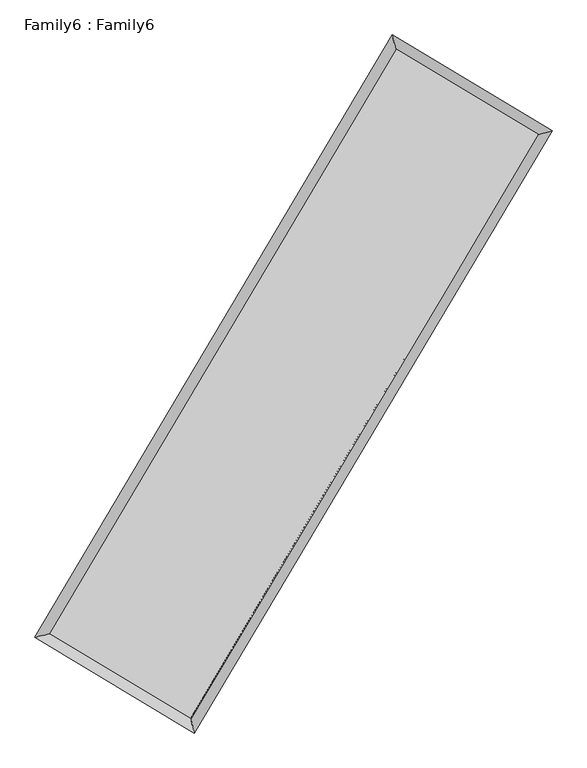
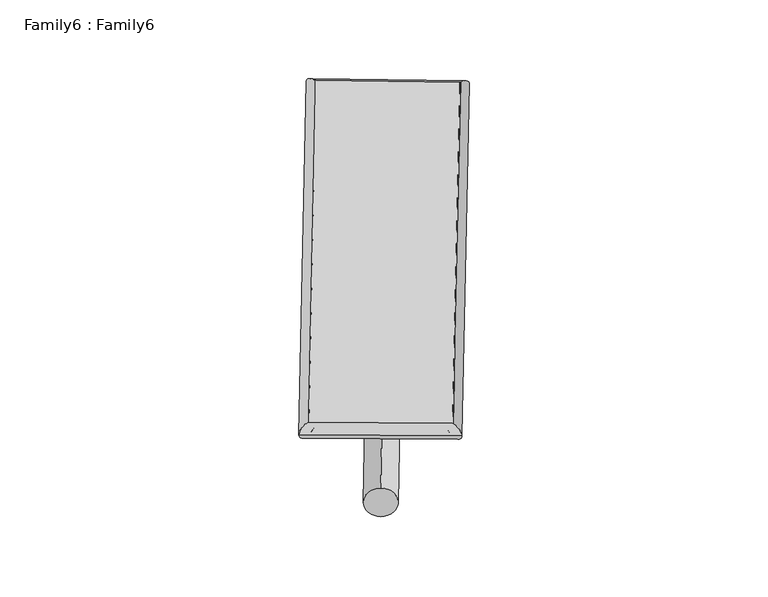
"""IFC4 building model written with IfcOpenShell, lengths in millimetres: plate geometry, Family6 : Family6."""

from ifc_helpers import new_model, si_unit, point, frame, origin, origin_2d, place, context, project, spatial, circle_curve, ellipse_curve, trimmed, segment, composite_curve, outline, extrude, source, transform, mapped, element, save
from ifc_brep_helpers import plane_surface, cylinder_surface, spline_surface, advanced_brep


def family6_family6_a6cd5556(model_context):
    return source(origin(), model_context, "Body", "SolidModel", [
        extrude(outline(composite_curve([segment(trimmed(circle_curve(origin_2d(), 76.2), [point((-75.4341514, -10.7763074))], [point((75.4341514, 10.7763074))], False, "CARTESIAN"), True, "CONTINUOUS"), segment(trimmed(circle_curve(origin_2d(), 76.2), [point((75.4341514, 10.7763074))], [point((-75.4341514, -10.7763074))], False, "CARTESIAN"), True, "CONTINUOUS")], self_intersect=False)), frame((9144.0, 9144.0, 0.0), z_axis=(0.6738305010848991, 0.6867169503106632, 0.27271282691449655), x_axis=(-0.6787505734580687, 0.7211332616927528, -0.1387965342172304)), (0.0, 0.0, 1.0), 5563.3710716),
        extrude(outline(composite_curve([segment(trimmed(circle_curve(origin_2d(), 76.2), [point((-53.8815367, 53.8815367))], [point((53.8815367, -53.8815367))], False, "CARTESIAN"), True, "CONTINUOUS"), segment(trimmed(circle_curve(origin_2d(), 76.2), [point((53.8815367, -53.8815367))], [point((-53.8815367, 53.8815367))], False, "CARTESIAN"), True, "CONTINUOUS")], self_intersect=False)), frame((9144.0, 9144.0, 0.0), z_axis=(-0.6732949306228581, -0.6872457626613948, 0.2727034985135295), x_axis=(0.6411950584057174, -0.3590701358575499, 0.6781869466535974)), (0.0, 0.0, 1.0), 5563.4752716),
        extrude(outline(composite_curve([segment(trimmed(circle_curve(origin_2d(), 76.2), [point((-53.8815367, -53.8815367))], [point((53.8815367, 53.8815367))], False, "CARTESIAN"), True, "CONTINUOUS"), segment(trimmed(circle_curve(origin_2d(), 76.2), [point((53.8815367, 53.8815367))], [point((-53.8815367, -53.8815367))], False, "CARTESIAN"), True, "CONTINUOUS")], self_intersect=False)), frame((9144.0, 9144.0, 0.0), z_axis=(0.2804860833215524, 0.9199868141314739, 0.2737732983458328), x_axis=(-0.8387308491764639, 0.3736059740110791, -0.3961680689088418)), (0.0, 0.0, 1.0), 5579.7906369),
        extrude(outline(composite_curve([segment(trimmed(circle_curve(origin_2d(), 76.2), [point((-75.4341514, 10.7763073))], [point((75.4341514, -10.7763073))], False, "CARTESIAN"), True, "CONTINUOUS"), segment(trimmed(circle_curve(origin_2d(), 76.2), [point((75.4341514, -10.7763073))], [point((-75.4341514, 10.7763073))], False, "CARTESIAN"), True, "CONTINUOUS")], self_intersect=False)), frame((9144.0, 9144.0, 0.0), z_axis=(-0.28108759705768505, -0.9197618932542253, 0.2739120707412138), x_axis=(0.8764386862346276, -0.12975377160828133, 0.46370161529236253)), (0.0, 0.0, 1.0), 5576.8041684),
        advanced_brep(
        [(5189.7043635, 5267.8007268, 1518.0088842), (5606.5798816, 5373.2548022, 1518.2300172), (5606.5762425, 5373.249661, 1516.3494568), (10761.9361769, 14067.718864, 1526.4628211), (10656.1710661, 14486.9487591, 1528.7325524), (5189.7007243, 5267.7955856, 1516.1283237), (12684.3224277, 12911.9601433, 1517.3117794), (13101.2158061, 13016.9622881, 1517.0935249), (7523.5493949, 4224.055542, 1527.360205), (7629.3096391, 3805.2805375, 1527.7477508)],
        [
            (0, 1, ellipse_curve(frame((5398.140303, 5320.5251939, 1517.1791705), z_axis=(-0.2452365510250882, 0.96946082951349, -0.0021757941848543267), x_axis=(-0.9694549022819711, -0.24524314180640922, -0.0036046967106022113)), 215.0084862, 152.4)),
            (1, 2, ellipse_curve(frame((5398.140303, 5320.5251939, 1517.1791705), z_axis=(-0.2452365510250882, 0.96946082951349, -0.0021757941848543267), x_axis=(-0.9694549022819711, -0.24524314180640922, -0.0036046967106022113)), 215.0084862, 152.4)),
            (2, 3),
            (3, 4, ellipse_curve(frame((10709.0536215, 14277.3338115, 1527.5976867), z_axis=(-0.9696139957744556, -0.24463018943417156, 0.00218394498451528), x_axis=(0.24462162016797584, -0.9696120032887051, -0.0035813440017263137)), 216.1860552, 152.4)),
            (4, 0),
            (2, 5, ellipse_curve(frame((5398.140303, 5320.5251939, 1517.1791705), z_axis=(-0.2452365510250882, 0.96946082951349, -0.0021757941848543267), x_axis=(-0.9694549022819711, -0.24524314180640922, -0.0036046967106022113)), 215.0084862, 152.4)),
            (5, 0, ellipse_curve(frame((5398.140303, 5320.5251939, 1517.1791705), z_axis=(-0.2452365510250882, 0.96946082951349, -0.0021757941848543267), x_axis=(-0.9694549022819711, -0.24524314180640922, -0.0036046967106022113)), 215.0084862, 152.4)),
            (4, 3, ellipse_curve(frame((10709.0536215, 14277.3338115, 1527.5976867), z_axis=(-0.9696139957744556, -0.24463018943417156, 0.00218394498451528), x_axis=(0.24462162016797584, -0.9696120032887051, -0.0035813440017263137)), 216.1860552, 152.4)),
            (3, 6),
            (6, 7, ellipse_curve(frame((12892.7691169, 12964.4612157, 1517.2026521), z_axis=(-0.2442385687478592, 0.9697127343382134, 0.002175867252983368), x_axis=(-0.9697068431878767, -0.2442451569895753, 0.0035974382191340344)), 214.9577475, 152.4)),
            (7, 4),
            (7, 6, ellipse_curve(frame((12892.7691169, 12964.4612157, 1517.2026521), z_axis=(-0.2442385687478592, 0.9697127343382134, 0.002175867252983368), x_axis=(-0.9697068431878767, -0.2442451569895753, 0.0035974382191340344)), 214.9577475, 152.4)),
            (6, 8),
            (8, 9, ellipse_curve(frame((7576.429517, 4014.6680397, 1527.5539779), z_axis=(0.9695559292441742, 0.24486017406847424, 0.0021897996762549436), x_axis=(-0.24485157788611467, 0.9695539472832018, -0.003584426626723498)), 215.962521, 152.4)),
            (9, 7),
            (9, 8, ellipse_curve(frame((7576.429517, 4014.6680397, 1527.5539779), z_axis=(0.9695559292441742, 0.24486017406847424, 0.0021897996762549436), x_axis=(-0.24485157788611467, 0.9695539472832018, -0.003584426626723498)), 215.962521, 152.4)),
            (8, 1),
            (5, 9),
        ],
        [
            cylinder_surface(frame((5398.140303, 5320.5251939, 1517.1791705), z_axis=(-0.5100277715792877, -0.8601573525558434, -0.0010005308536313166), x_axis=(-0.8601432323990296, 0.5100119081212794, 0.006439979242271044)), 152.4),
            cylinder_surface(frame((10709.0536215, 14277.3338115, 1527.5976867), z_axis=(-0.8570277752572744, 0.5152540623320352, 0.004079667621539506), x_axis=(0.5152671579101258, 0.8570230958695667, 0.0033420241419358236)), 152.4),
            cylinder_surface(frame((12892.7691169, 12964.4612157, 1517.2026521), z_axis=(0.5107089446007902, 0.8597530954252941, -0.0009943899498755322), x_axis=(0.8597536271148902, -0.5107089446007901, 0.00027307057214840465)), 152.4),
            cylinder_surface(frame((7576.429517, 4014.6680397, 1527.5539779), z_axis=(0.857679634331971, -0.5141682193759157, 0.0040849768636947986), x_axis=(-0.5141605350460547, -0.8576892999931062, -0.0028299961997164257)), 152.4),
        ],
        [
            (0, [[1, 2, 3, 4, 5]]),
            (0, [[6, 7, -5, 8, -3]]),
            (1, [[-4, 9, 10, 11]]),
            (1, [[-8, -11, 12, -9]]),
            (2, [[-10, 13, 14, 15]]),
            (2, [[-12, -15, 16, -13]]),
            (3, [[-14, 17, -1, -7, 18]]),
            (3, [[-16, -18, -6, -2, -17]]),
        ],
    ),
        extrude(outline(composite_curve([segment(trimmed(circle_curve(origin_2d(), 304.8), [point((0.0, 304.8))], [point((1e-07, -304.8))], False, "CARTESIAN"), True, "CONTINUOUS"), segment(trimmed(circle_curve(origin_2d(), 304.8), [point((1e-07, -304.8))], [point((0.0, 304.8))], False, "CARTESIAN"), True, "CONTINUOUS")], self_intersect=False)), frame((11805.6218987, 13640.7288024, -0.0001103), z_axis=(-0.5093623643733672, -0.8605521377348223, 2.1101948702223767e-08), x_axis=(-0.8605521377348225, 0.5093623643733672, -5.777069218246307e-09)), (0.0, 0.0, 1.0), 10450.7992143),
        advanced_brep(
        [(5398.140303, 5320.5251939, 1517.1791705), (7576.429517, 4014.6680397, 1527.5539779), (7576.4306401, 4014.666774, 1679.9539779), (5398.1414261, 5320.5239282, 1669.5791705), (12892.7691169, 12964.4612157, 1517.2026521), (12892.77024, 12964.45995, 1669.6026521), (10709.0536215, 14277.3338115, 1527.5976867), (10709.0547446, 14277.3325458, 1679.9976867)],
        [
            (0, 1),
            (1, 2),
            (2, 3),
            (3, 0),
            (1, 4),
            (4, 5),
            (5, 2),
            (4, 6),
            (6, 7),
            (7, 5),
            (6, 0),
            (3, 7),
        ],
        [
            plane_surface(frame((6487.28491, 4667.5966168, 1522.3665742), z_axis=(-0.514172497716463, -0.8576867974854789, -3.3342485196434686e-06), x_axis=(0.857679634331971, -0.5141682193759157, 0.004084976863694803))),
            plane_surface(frame((10234.599317, 8489.5646277, 1522.378315), z_axis=(0.8597535150726174, -0.5107092061128286, -1.0577483161477736e-05), x_axis=(0.5107089446007901, 0.859753095425294, -0.0009943899498755292))),
            plane_surface(frame((11800.9113692, 13620.8975136, 1522.4001694), z_axis=(0.515258361857734, 0.8570349004122627, 3.3208321339537727e-06), x_axis=(-0.8570277752572741, 0.5152540623320356, 0.0040796676215395095))),
            plane_surface(frame((8053.5969622, 9798.9295027, 1522.3884286), z_axis=(-0.8601577884397997, 0.5100280177348362, 1.0574804928377326e-05), x_axis=(-0.510027771579288, -0.8601573525558428, -0.0010005308536313122))),
            spline_surface(1, 1, [[(7576.4306401, 4014.666774, 1679.9539779), (5398.1414261, 5320.5239282, 1669.5791705)], [(12892.77024, 12964.45995, 1669.6026521), (10709.0547446, 14277.3325458, 1679.9976867)]], [2, 2], [2, 2], [0.0, 1.0], [0.0, 1.0]),
            spline_surface(1, 1, [[(10709.0536215, 14277.3338115, 1527.5976867), (5398.140303, 5320.5251939, 1517.1791705)], [(12892.7691169, 12964.4612157, 1517.2026521), (7576.429517, 4014.6680397, 1527.5539779)]], [2, 2], [2, 2], [0.0, 1.0], [0.0, 1.0]),
        ],
        [
            (0, [[1, 2, 3, 4]]),
            (1, [[5, 6, 7, -2]]),
            (2, [[8, 9, 10, -6]]),
            (3, [[11, -4, 12, -9]]),
            (4, [[-3, -7, -10, -12]]),
            (5, [[-11, -8, -5, -1]]),
        ],
    ),
    ])


if __name__ == "__main__":
    model = new_model("IFC4")
    model_context = context("Model", 3, world=origin())
    ifc_project = project(units=[si_unit("LENGTHUNIT", "METRE", prefix="MILLI")], contexts=[model_context])
    site = spatial("IfcSite", under=ifc_project)
    building = spatial("IfcBuilding", under=site)
    placement = place(None, origin())
    family6_family6_shape = family6_family6_a6cd5556(model_context)
    element("IfcPlate", 1, ObjectType="Family6 : Family6", at=placement, inside=building, context=model_context, shape_type="MappedRepresentation", body=[
        mapped(family6_family6_shape, transform((0.0, 0.0, 0.0), x_axis=(1.0, 0.0, 0.0), y_axis=(0.0, 1.0, 0.0), z_axis=(0.0, 0.0, 1.0))),
    ])
    save(model, "model.ifc")
